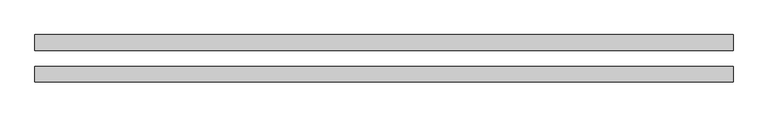
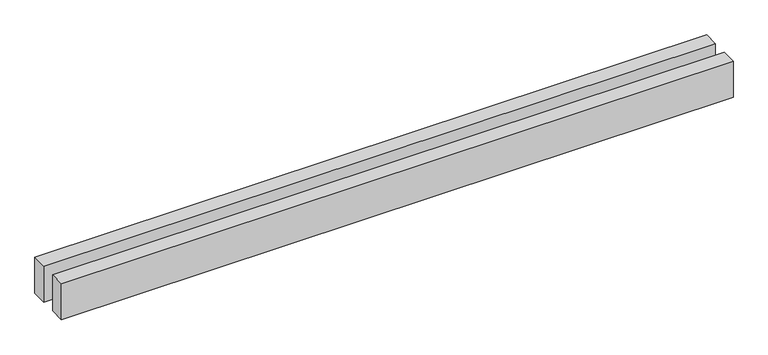
"""IFC4 building model written with IfcOpenShell, lengths in millimetres: proxy geometry."""

from ifc_helpers import new_model, si_unit, origin, origin_with_axes, place, context, project, spatial, polyline, outline, extrude, source, transform, mapped, element, save


def generic_models_71b755c9(model_context):
    return source(origin(), model_context, "Body", "SweptSolid", [
        extrude(outline(polyline([(8806.2484749, 300.0), (8806.2484749, 100.0), (0.0, 100.0), (0.0, 300.0), (8806.2484749, 300.0)])), origin_with_axes(), (0.0, 0.0, 1.0), 500.0),
        extrude(outline(polyline([(8806.2484749, -100.0), (8806.2484749, -300.0), (0.0, -300.0), (0.0, -100.0), (8806.2484749, -100.0)])), origin_with_axes(), (0.0, 0.0, 1.0), 500.0),
    ])


if __name__ == "__main__":
    model = new_model("IFC4")
    model_context = context("Model", 3, world=origin())
    ifc_project = project(units=[si_unit("LENGTHUNIT", "METRE", prefix="MILLI")], contexts=[model_context])
    site = spatial("IfcSite", under=ifc_project)
    building = spatial("IfcBuilding", under=site)
    placement = place(None, origin())
    generic_models_shape = generic_models_71b755c9(model_context)
    element("IfcBuildingElementProxy", 1, Name="Generic Models", at=placement, inside=building, context=model_context, shape_type="MappedRepresentation", body=[
        mapped(generic_models_shape, transform((0.0, 0.0, 0.0), x_axis=(1.0, 0.0, 0.0), y_axis=(0.0, 1.0, 0.0), z_axis=(0.0, 0.0, 1.0))),
    ])
    save(model, "model.ifc")
